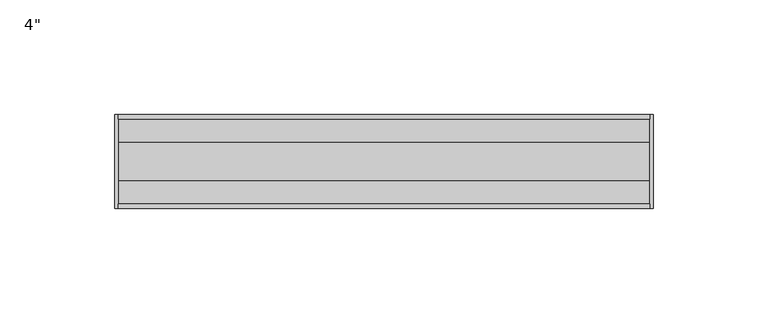
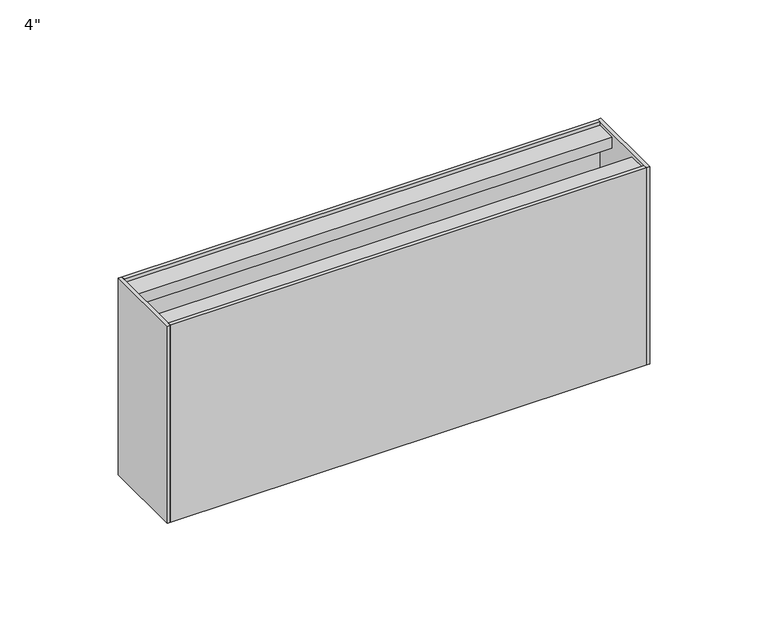
"""IFC4 building model written with IfcOpenShell, lengths in millimetres: proxy geometry."""

from ifc_helpers import new_model, si_unit, frame, origin, origin_with_axes, place, context, project, spatial, polyline, outline, extrude, source, transform, mapped, element, save


def proxy_46911de8(model_context):
    return source(origin(), model_context, "Body", "SweptSolid", [
        extrude(outline(polyline([(20.5, 101.6), (20.5, 0.0), (-20.5, 0.0), (-20.5, 101.6), (-18.5, 101.6), (-18.5, 99.85), (-8.5, 99.85), (-8.5, 94.2), (-9.5, 94.2), (-13.15, 97.85), (-18.5, 97.85), (-18.5, 74.45), (18.5, 74.45), (18.5, 97.85), (13.15, 97.85), (9.5, 94.2), (8.5, 94.2), (8.5, 99.85), (18.5, 99.85), (18.5, 101.6), (20.5, 101.6)]), holes=[polyline([(18.5, 72.45), (-18.5, 72.45), (-18.5, 2.0), (18.5, 2.0), (18.5, 72.45)])]), frame((1.651, 0.0, 0.0), z_axis=(1.0, 0.0, 0.0), x_axis=(0.0, 1.0, 0.0)), (0.0, 0.0, 1.0), 231.7418928),
        extrude(outline(polyline([(0.0, -20.5), (0.0, 20.5), (1.651, 20.5), (1.651, -20.5), (0.0, -20.5)])), origin_with_axes(), (0.0, 0.0, 1.0), 101.6),
        extrude(outline(polyline([(235.0438928, -20.5), (233.3928928, -20.5), (233.3928928, 20.5), (235.0438928, 20.5), (235.0438928, -20.5)])), origin_with_axes(), (0.0, 0.0, 1.0), 101.6),
    ])


if __name__ == "__main__":
    model = new_model("IFC4")
    model_context = context("Model", 3, world=origin())
    ifc_project = project(units=[si_unit("LENGTHUNIT", "METRE", prefix="MILLI")], contexts=[model_context])
    site = spatial("IfcSite", under=ifc_project)
    building = spatial("IfcBuilding", under=site)
    placement = place(None, origin())
    proxy_shape = proxy_46911de8(model_context)
    element("IfcBuildingElementProxy", 1, Name="4\"", ObjectType="4\"", at=placement, inside=building, context=model_context, shape_type="MappedRepresentation", body=[
        mapped(proxy_shape, transform((0.0, 0.0, 0.0), x_axis=(1.0, 0.0, 0.0), y_axis=(0.0, 1.0, 0.0), z_axis=(0.0, 0.0, 1.0))),
    ])
    save(model, "model.ifc")
